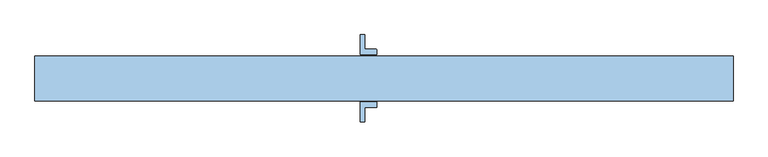
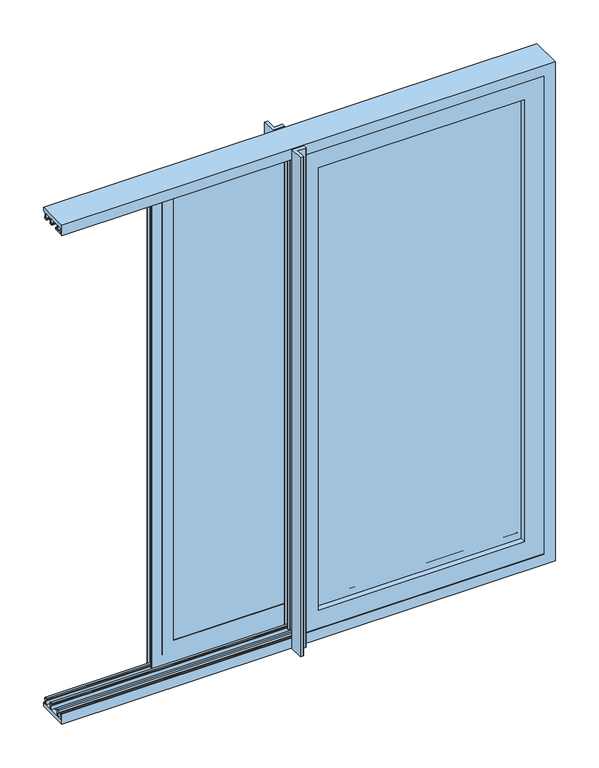
"""IFC4 building model written with IfcOpenShell, lengths in millimetres: window geometry."""

from ifc_helpers import new_model, si_unit, point, frame, frame_2d, origin, origin_with_axes, place, context, project, spatial, polyline, circle_curve, ellipse_curve, trimmed, segment, composite_curve, outline, extrude, faceted_brep, source, transform, mapped, element, save
from ifc_brep_helpers import plane_surface, cylinder_surface, revolved_surface, advanced_brep


def window_c02eff62(model_context):
    return source(origin(), model_context, "Body", "SolidModel", [
        extrude(outline(polyline([(-451.0, 4.5), (441.0, 4.5), (441.0, 3.5), (-451.0, 3.5), (-451.0, 4.5)])), frame((0.0, 0.0, 109.0), z_axis=(0.0, 0.0, 1.0), x_axis=(1.0, 0.0, 0.0)), (0.0, 0.0, 1.0), 1982.0),
        extrude(outline(polyline([(-984.5, 63.0), (-125.5, 63.0), (-125.5, 38.0), (-984.5, 38.0), (-984.5, 63.0)])), frame((0.0, 0.0, 125.5), z_axis=(0.0, 0.0, 1.0), x_axis=(1.0, 0.0, 0.0)), (0.0, 0.0, 1.0), 1949.0),
        extrude(outline(polyline([(424.5, -37.5), (-434.5, -37.5), (-434.5, -31.5), (424.5, -31.5), (424.5, -37.5)])), frame((0.0, 0.0, 125.5), z_axis=(0.0, 0.0, 1.0), x_axis=(1.0, 0.0, 0.0)), (0.0, 0.0, 1.0), 1949.0),
        extrude(outline(polyline([(424.5, -25.5), (-434.5, -25.5), (-434.5, -19.5), (424.5, -19.5), (424.5, -25.5)])), frame((0.0, 0.0, 125.5), z_axis=(0.0, 0.0, 1.0), x_axis=(1.0, 0.0, 0.0)), (0.0, 0.0, 1.0), 1949.0),
        faceted_brep([(-1066.0, 64.5, 2156.0), (-1066.0, 62.5, 2156.0), (-1066.0, 62.5, 44.0), (-1066.0, 64.5, 44.0), (-1076.0, 62.5, 34.0), (-34.0, 62.5, 34.0), (-34.0, 62.5, 2166.0), (-1076.0, 62.5, 2166.0), (-44.0, 62.5, 2156.0), (-44.0, 62.5, 44.0), (-44.0, 64.5, 44.0), (-44.0, 64.5, 2156.0), (-1032.0, 64.5, 2122.0), (-78.0, 64.5, 2122.0), (-78.0, 64.5, 78.0), (-1032.0, 64.5, 78.0), (-1032.0, 36.5, 2122.0), (-1032.0, 36.5, 78.0), (-78.0, 36.5, 78.0), (-1066.0, 36.5, 2156.0), (-44.0, 36.5, 2156.0), (-44.0, 36.5, 44.0), (-1066.0, 36.5, 44.0), (-78.0, 36.5, 2122.0), (-1066.0, 38.5, 2156.0), (-1066.0, 38.5, 44.0), (-44.0, 38.5, 44.0), (-1076.0, 38.5, 2166.0), (-34.0, 38.5, 2166.0), (-34.0, 38.5, 34.0), (-1076.0, 38.5, 34.0), (-44.0, 38.5, 2156.0), (-1076.0, 34.5, 2166.0), (-1076.0, 34.5, 34.0), (-34.0, 34.5, 34.0), (-34.0, 34.5, 2166.0), (-984.5, 34.5, 2074.5), (-125.5, 34.5, 2074.5), (-125.5, 34.5, 125.5), (-984.5, 34.5, 125.5), (-984.5, 66.5, 2074.5), (-984.5, 66.5, 125.5), (-125.5, 66.5, 125.5), (-1076.0, 66.5, 2166.0), (-34.0, 66.5, 2166.0), (-34.0, 66.5, 34.0), (-1076.0, 66.5, 34.0), (-125.5, 66.5, 2074.5)], [[[0, 1, 2, 3]], [[4, 5, 6, 7], [1, 8, 9, 2]], [[3, 2, 9, 10]], [[3, 10, 11, 0], [12, 13, 14, 15]], [[16, 12, 15, 17]], [[17, 15, 14, 18]], [[19, 20, 21, 22], [17, 18, 23, 16]], [[24, 19, 22, 25]], [[25, 22, 21, 26]], [[27, 28, 29, 30], [25, 26, 31, 24]], [[32, 27, 30, 33]], [[33, 30, 29, 34]], [[33, 34, 35, 32], [36, 37, 38, 39]], [[40, 36, 39, 41]], [[41, 39, 38, 42]], [[43, 44, 45, 46], [41, 42, 47, 40]], [[7, 43, 46, 4]], [[4, 46, 45, 5]], [[10, 9, 8, 11]], [[18, 14, 13, 23]], [[26, 21, 20, 31]], [[34, 29, 28, 35]], [[42, 38, 37, 47]], [[5, 45, 44, 6]], [[11, 8, 1, 0]], [[23, 13, 12, 16]], [[31, 20, 19, 24]], [[35, 28, 27, 32]], [[47, 37, 36, 40]], [[6, 44, 43, 7]]]),
        extrude(outline(composite_curve([segment(polyline([(-550.0, -70.0), (-500.0, -70.0), (-500.0, -84.5857864)]), True, "CONTINUOUS"), segment(trimmed(circle_curve(frame_2d((-501.4142136, -84.5857864)), 1.4142136), [point((-500.0, -84.5857864))], [point((-501.4142136, -86.0))], False, "CARTESIAN"), True, "CONTINUOUS"), segment(polyline([(-501.4142136, -86.0), (-536.0, -86.0), (-536.0, -127.5857864)]), True, "CONTINUOUS"), segment(trimmed(circle_curve(frame_2d((-537.4142136, -127.5857864)), 1.4142136), [point((-536.0, -127.5857864))], [point((-537.4142136, -129.0))], False, "CARTESIAN"), True, "CONTINUOUS"), segment(polyline([(-537.4142136, -129.0), (-550.0, -129.0), (-550.0, -70.0)]), True, "CONTINUOUS")], self_intersect=False)), origin_with_axes(), (0.0, 0.0, 1.0), 2200.0),
        extrude(outline(composite_curve([segment(polyline([(-500.0, 70.0), (-550.0, 70.0), (-550.0, 129.0), (-537.4142136, 129.0)]), True, "CONTINUOUS"), segment(trimmed(circle_curve(frame_2d((-537.4142136, 127.5857864)), 1.4142136), [point((-537.4142136, 129.0))], [point((-536.0, 127.5857864))], False, "CARTESIAN"), True, "CONTINUOUS"), segment(polyline([(-536.0, 127.5857864), (-536.0, 86.0), (-501.4142136, 86.0)]), True, "CONTINUOUS"), segment(trimmed(circle_curve(frame_2d((-501.4142136, 84.5857864)), 1.4142136), [point((-501.4142136, 86.0))], [point((-500.0, 84.5857864))], False, "CARTESIAN"), True, "CONTINUOUS"), segment(polyline([(-500.0, 84.5857864), (-500.0, 70.0)]), True, "CONTINUOUS")], self_intersect=False)), origin_with_axes(), (0.0, 0.0, 1.0), 2200.0),
        advanced_brep(
        [(470.0, 18.5, 2120.0), (470.0, 26.5, 2120.0), (470.0, 26.5, 80.0), (470.0, 18.5, 80.0), (516.0, 26.5, 34.0), (-526.0, 26.5, 34.0), (-526.0, 26.5, 2166.0), (516.0, 26.5, 2166.0), (-480.0, 26.5, 2120.0), (-480.0, 26.5, 80.0), (-480.0, 18.5, 80.0), (-480.0, 18.5, 2120.0), (443.0, 18.5, 2093.0), (-453.0, 18.5, 2093.0), (-453.0, 18.5, 107.0), (443.0, 18.5, 107.0), (443.0, 21.5, 2093.0), (443.0, 21.5, 107.0), (-453.0, 21.5, 107.0), (446.0, 24.5, 2096.0), (446.0, 24.5, 104.0), (-456.0, 24.5, 104.0), (446.0, 26.5, 2096.0), (446.0, 26.5, 104.0), (-456.0, 26.5, 104.0), (441.0, 21.5, 2091.0), (441.0, 21.5, 109.0), (-451.0, 21.5, 109.0), (441.0, 2.5, 2091.0), (441.0, 2.5, 109.0), (-451.0, 2.5, 109.0), (444.0, 2.5, 2094.0), (-454.0, 2.5, 2094.0), (-454.0, 2.5, 106.0), (444.0, 2.5, 106.0), (-451.0, 2.5, 2091.0), (444.0, 4.5, 2094.0), (444.0, 4.5, 106.0), (-454.0, 4.5, 106.0), (-454.0, 4.5, 2094.0), (443.0, 4.5, 2093.0), (-453.0, 4.5, 2093.0), (-453.0, 4.5, 107.0), (443.0, 4.5, 107.0), (443.0, 8.5, 2093.0), (443.0, 8.5, 107.0), (-453.0, 8.5, 107.0), (448.0, 8.5, 2098.0), (-458.0, 8.5, 2098.0), (-458.0, 8.5, 102.0), (448.0, 8.5, 102.0), (-453.0, 8.5, 2093.0), (448.0, 0.5, 2098.0), (448.0, 0.5, 102.0), (-458.0, 0.5, 102.0), (451.0, 0.5, 2101.0), (-461.0, 0.5, 2101.0), (-461.0, 0.5, 99.0), (451.0, 0.5, 99.0), (-458.0, 0.5, 2098.0), (451.0, 2.5, 2101.0), (451.0, 2.5, 99.0), (-461.0, 2.5, 99.0), (-461.0, 2.5, 2101.0), (450.0, 2.5, 2100.0), (-460.0, 2.5, 2100.0), (-460.0, 2.5, 100.0), (450.0, 2.5, 100.0), (450.0, 8.5, 2100.0), (450.0, 8.5, 100.0), (-460.0, 8.5, 100.0), (470.0, 8.5, 2120.0), (-480.0, 8.5, 2120.0), (-480.0, 8.5, 80.0), (470.0, 8.5, 80.0), (-460.0, 8.5, 2100.0), (470.0, 0.5, 2120.0), (470.0, 0.5, 80.0), (-480.0, 0.5, 80.0), (516.0, 0.5, 2166.0), (-526.0, 0.5, 2166.0), (-526.0, 0.5, 34.0), (516.0, 0.5, 34.0), (-480.0, 0.5, 2120.0), (516.0, 4.5, 2166.0), (516.0, 4.5, 34.0), (-526.0, 4.5, 34.0), (-526.0, 4.5, 2166.0), (506.0, 4.5, 2156.0), (-516.0, 4.5, 2156.0), (-516.0, 4.5, 44.0), (506.0, 4.5, 44.0), (506.0, 2.5, 2156.0), (506.0, 2.5, 44.0), (-516.0, 2.5, 44.0), (-516.0, 2.5, 2156.0), (472.0, 2.5, 2122.0), (-482.0, 2.5, 2122.0), (-482.0, 2.5, 78.0), (472.0, 2.5, 78.0), (472.0, 24.5, 2122.0), (472.0, 24.5, 78.0), (-482.0, 24.5, 78.0), (506.0, 24.5, 2156.0), (-516.0, 24.5, 2156.0), (-516.0, 24.5, 44.0), (506.0, 24.5, 44.0), (-482.0, 24.5, 2122.0), (506.0, 22.5, 2156.0), (506.0, 22.5, 44.0), (-516.0, 22.5, 44.0), (516.0, 22.5, 2166.0), (-526.0, 22.5, 2166.0), (-526.0, 22.5, 34.0), (516.0, 22.5, 34.0), (-516.0, 22.5, 2156.0), (-453.0, 21.5, 2093.0), (-456.0, 24.5, 2096.0), (-456.0, 26.5, 2096.0), (-451.0, 21.5, 2091.0)],
        [
            (0, 1),
            (1, 2),
            (2, 3),
            (3, 0),
            (4, 5),
            (5, 6),
            (6, 7),
            (7, 4),
            (1, 8),
            (8, 9),
            (9, 2),
            (9, 10),
            (10, 3),
            (10, 11),
            (11, 0),
            (12, 13),
            (13, 14),
            (14, 15),
            (15, 12),
            (16, 12),
            (15, 17),
            (17, 16),
            (14, 18),
            (18, 17),
            (19, 16, ellipse_curve(frame((446.0, 21.5, 2096.0), z_axis=(-0.7071067811865475, 0.0, 0.7071067811865475), x_axis=(-0.7071067811865474, 0.0, -0.7071067811865476)), 4.2426407, 3.0)),
            (17, 20, ellipse_curve(frame((446.0, 21.5, 104.0), z_axis=(-0.7071067811865475, 0.0, -0.7071067811865475), x_axis=(0.7071067811865474, 0.0, -0.7071067811865476)), 4.2426407, 3.0)),
            (20, 19),
            (18, 21, ellipse_curve(frame((-456.0, 21.5, 104.0), z_axis=(-0.7071067811865475, 0.0, 0.7071067811865475), x_axis=(-0.7071067811865476, 0.0, -0.7071067811865474)), 4.2426407, 3.0)),
            (21, 20),
            (22, 19),
            (20, 23),
            (23, 22),
            (21, 24),
            (24, 23),
            (25, 22, ellipse_curve(frame((446.0, 21.5, 2096.0), z_axis=(0.7071067811865475, 0.0, -0.7071067811865475), x_axis=(0.7071067811865474, 0.0, 0.7071067811865476)), 7.0710678, 5.0)),
            (23, 26, ellipse_curve(frame((446.0, 21.5, 104.0), z_axis=(0.7071067811865475, 0.0, 0.7071067811865475), x_axis=(-0.7071067811865474, 0.0, 0.7071067811865476)), 7.0710678, 5.0)),
            (26, 25),
            (24, 27, ellipse_curve(frame((-456.0, 21.5, 104.0), z_axis=(0.7071067811865475, 0.0, -0.7071067811865475), x_axis=(0.7071067811865476, 0.0, 0.7071067811865474)), 7.0710678, 5.0)),
            (27, 26),
            (28, 25),
            (26, 29),
            (29, 28),
            (27, 30),
            (30, 29),
            (31, 32),
            (32, 33),
            (33, 34),
            (34, 31),
            (30, 35),
            (35, 28),
            (36, 31),
            (34, 37),
            (37, 36),
            (33, 38),
            (38, 37),
            (38, 39),
            (39, 36),
            (40, 41),
            (41, 42),
            (42, 43),
            (43, 40),
            (44, 40),
            (43, 45),
            (45, 44),
            (42, 46),
            (46, 45),
            (47, 48),
            (48, 49),
            (49, 50),
            (50, 47),
            (46, 51),
            (51, 44),
            (52, 47),
            (50, 53),
            (53, 52),
            (49, 54),
            (54, 53),
            (55, 56),
            (56, 57),
            (57, 58),
            (58, 55),
            (54, 59),
            (59, 52),
            (60, 55),
            (58, 61),
            (61, 60),
            (57, 62),
            (62, 61),
            (62, 63),
            (63, 60),
            (64, 65),
            (65, 66),
            (66, 67),
            (67, 64),
            (68, 64),
            (67, 69),
            (69, 68),
            (66, 70),
            (70, 69),
            (71, 72),
            (72, 73),
            (73, 74),
            (74, 71),
            (70, 75),
            (75, 68),
            (76, 71),
            (74, 77),
            (77, 76),
            (73, 78),
            (78, 77),
            (79, 80),
            (80, 81),
            (81, 82),
            (82, 79),
            (78, 83),
            (83, 76),
            (84, 79),
            (82, 85),
            (85, 84),
            (81, 86),
            (86, 85),
            (86, 87),
            (87, 84),
            (88, 89),
            (89, 90),
            (90, 91),
            (91, 88),
            (92, 88),
            (91, 93),
            (93, 92),
            (90, 94),
            (94, 93),
            (94, 95),
            (95, 92),
            (96, 97),
            (97, 98),
            (98, 99),
            (99, 96),
            (100, 96),
            (99, 101),
            (101, 100),
            (98, 102),
            (102, 101),
            (103, 104),
            (104, 105),
            (105, 106),
            (106, 103),
            (102, 107),
            (107, 100),
            (108, 103),
            (106, 109),
            (109, 108),
            (105, 110),
            (110, 109),
            (111, 112),
            (112, 113),
            (113, 114),
            (114, 111),
            (110, 115),
            (115, 108),
            (7, 111),
            (114, 4),
            (113, 5),
            (8, 11),
            (13, 116),
            (116, 18),
            (116, 117, ellipse_curve(frame((-456.0, 21.5, 2096.0), z_axis=(0.7071067811865475, 0.0, 0.7071067811865475), x_axis=(-0.7071067811865474, 0.0, 0.7071067811865476)), 4.2426407, 3.0)),
            (117, 21),
            (117, 118),
            (118, 24),
            (118, 119, ellipse_curve(frame((-456.0, 21.5, 2096.0), z_axis=(-0.7071067811865475, 0.0, -0.7071067811865475), x_axis=(0.7071067811865474, 0.0, -0.7071067811865476)), 7.0710678, 5.0)),
            (119, 27),
            (119, 35),
            (32, 39),
            (41, 51),
            (48, 59),
            (56, 63),
            (65, 75),
            (72, 83),
            (80, 87),
            (89, 95),
            (97, 107),
            (104, 115),
            (112, 6),
            (16, 116),
            (19, 117),
            (22, 118),
            (25, 119),
        ],
        [
            plane_surface(frame((470.0, 26.5, 2120.0), z_axis=(-1.0, 0.0, 0.0), x_axis=(0.0, 0.0, -1.0))),
            plane_surface(frame((-526.0, 26.5, 2166.0), z_axis=(0.0, 1.0, 0.0), x_axis=(1.0, 0.0, 0.0))),
            plane_surface(frame((470.0, 26.5, 80.0), z_axis=(0.0, 0.0, 1.0), x_axis=(-1.0, 0.0, 0.0))),
            plane_surface(frame((-480.0, 18.5, 2120.0), z_axis=(0.0, 1.0, 0.0), x_axis=(1.0, 0.0, 0.0))),
            plane_surface(frame((443.0, 18.5, 2093.0), z_axis=(1.0, 0.0, 0.0), x_axis=(0.0, 0.0, -1.0))),
            plane_surface(frame((443.0, 18.5, 107.0), z_axis=(0.0, 0.0, -1.0), x_axis=(-1.0, 0.0, 0.0))),
            revolved_surface(polyline([(449.0, 21.5, 100.99999999089187), (449.0, 21.5, 2099.000000009108)]), (446.0, 21.5, 2200.0), (0.0, 0.0, -1.0)),
            revolved_surface(polyline([(-459.000000009108, 21.5, 101.0), (449.000000009108, 21.5, 101.0)]), (550.0, 21.5, 104.0), (-1.0, 0.0, 0.0)),
            plane_surface(frame((446.0, 24.5, 2096.0), z_axis=(1.0, 0.0, 0.0), x_axis=(0.0, 0.0, -1.0))),
            plane_surface(frame((446.0, 24.5, 104.0), z_axis=(0.0, 0.0, -1.0), x_axis=(-1.0, 0.0, 0.0))),
            cylinder_surface(frame((446.0, 21.5, 2200.0), z_axis=(0.0, 0.0, 1.0), x_axis=(1.0, 0.0, 0.0)), 5.0),
            cylinder_surface(frame((550.0, 21.5, 104.0), z_axis=(1.0, 0.0, 0.0), x_axis=(0.0, 0.0, -1.0)), 5.0),
            plane_surface(frame((441.0, 21.5, 2091.0), z_axis=(-1.0, 0.0, 0.0), x_axis=(0.0, 0.0, -1.0))),
            plane_surface(frame((441.0, 21.5, 109.0), z_axis=(0.0, 0.0, 1.0), x_axis=(-1.0, 0.0, 0.0))),
            plane_surface(frame((-451.0, 2.5, 2091.0), z_axis=(0.0, -1.0, 0.0), x_axis=(1.0, 0.0, 0.0))),
            plane_surface(frame((444.0, 2.5, 2094.0), z_axis=(1.0, 0.0, 0.0), x_axis=(0.0, 0.0, -1.0))),
            plane_surface(frame((444.0, 2.5, 106.0), z_axis=(0.0, 0.0, -1.0), x_axis=(-1.0, 0.0, 0.0))),
            plane_surface(frame((-454.0, 4.5, 2094.0), z_axis=(0.0, 1.0, 0.0), x_axis=(1.0, 0.0, 0.0))),
            plane_surface(frame((443.0, 4.5, 2093.0), z_axis=(1.0, 0.0, 0.0), x_axis=(0.0, 0.0, -1.0))),
            plane_surface(frame((443.0, 4.5, 107.0), z_axis=(0.0, 0.0, -1.0), x_axis=(-1.0, 0.0, 0.0))),
            plane_surface(frame((-453.0, 8.5, 2093.0), z_axis=(0.0, -1.0, 0.0), x_axis=(1.0, 0.0, 0.0))),
            plane_surface(frame((448.0, 8.5, 2098.0), z_axis=(-1.0, 0.0, 0.0), x_axis=(0.0, 0.0, -1.0))),
            plane_surface(frame((448.0, 8.5, 102.0), z_axis=(0.0, 0.0, 1.0), x_axis=(-1.0, 0.0, 0.0))),
            plane_surface(frame((-458.0, 0.5, 2098.0), z_axis=(0.0, -1.0, 0.0), x_axis=(1.0, 0.0, 0.0))),
            plane_surface(frame((451.0, 0.5, 2101.0), z_axis=(1.0, 0.0, 0.0), x_axis=(0.0, 0.0, -1.0))),
            plane_surface(frame((451.0, 0.5, 99.0), z_axis=(0.0, 0.0, -1.0), x_axis=(-1.0, 0.0, 0.0))),
            plane_surface(frame((-461.0, 2.5, 2101.0), z_axis=(0.0, 1.0, 0.0), x_axis=(1.0, 0.0, 0.0))),
            plane_surface(frame((450.0, 2.5, 2100.0), z_axis=(1.0, 0.0, 0.0), x_axis=(0.0, 0.0, -1.0))),
            plane_surface(frame((450.0, 2.5, 100.0), z_axis=(0.0, 0.0, -1.0), x_axis=(-1.0, 0.0, 0.0))),
            plane_surface(frame((-460.0, 8.5, 2100.0), z_axis=(0.0, -1.0, 0.0), x_axis=(1.0, 0.0, 0.0))),
            plane_surface(frame((470.0, 8.5, 2120.0), z_axis=(-1.0, 0.0, 0.0), x_axis=(0.0, 0.0, -1.0))),
            plane_surface(frame((470.0, 8.5, 80.0), z_axis=(0.0, 0.0, 1.0), x_axis=(-1.0, 0.0, 0.0))),
            plane_surface(frame((-480.0, 0.5, 2120.0), z_axis=(0.0, -1.0, 0.0), x_axis=(1.0, 0.0, 0.0))),
            plane_surface(frame((516.0, 0.5, 2166.0), z_axis=(1.0, 0.0, 0.0), x_axis=(0.0, 0.0, -1.0))),
            plane_surface(frame((516.0, 0.5, 34.0), z_axis=(0.0, 0.0, -1.0), x_axis=(-1.0, 0.0, 0.0))),
            plane_surface(frame((-526.0, 4.5, 2166.0), z_axis=(0.0, 1.0, 0.0), x_axis=(1.0, 0.0, 0.0))),
            plane_surface(frame((506.0, 4.5, 2156.0), z_axis=(-1.0, 0.0, 0.0), x_axis=(0.0, 0.0, -1.0))),
            plane_surface(frame((506.0, 4.5, 44.0), z_axis=(0.0, 0.0, 1.0), x_axis=(-1.0, 0.0, 0.0))),
            plane_surface(frame((-516.0, 2.5, 2156.0), z_axis=(0.0, 1.0, 0.0), x_axis=(1.0, 0.0, 0.0))),
            plane_surface(frame((472.0, 2.5, 2122.0), z_axis=(1.0, 0.0, 0.0), x_axis=(0.0, 0.0, -1.0))),
            plane_surface(frame((472.0, 2.5, 78.0), z_axis=(0.0, 0.0, -1.0), x_axis=(-1.0, 0.0, 0.0))),
            plane_surface(frame((-482.0, 24.5, 2122.0), z_axis=(0.0, -1.0, 0.0), x_axis=(1.0, 0.0, 0.0))),
            plane_surface(frame((506.0, 24.5, 2156.0), z_axis=(-1.0, 0.0, 0.0), x_axis=(0.0, 0.0, -1.0))),
            plane_surface(frame((506.0, 24.5, 44.0), z_axis=(0.0, 0.0, 1.0), x_axis=(-1.0, 0.0, 0.0))),
            plane_surface(frame((-516.0, 22.5, 2156.0), z_axis=(0.0, -1.0, 0.0), x_axis=(1.0, 0.0, 0.0))),
            plane_surface(frame((516.0, 22.5, 2166.0), z_axis=(1.0, 0.0, 0.0), x_axis=(0.0, 0.0, -1.0))),
            plane_surface(frame((516.0, 22.5, 34.0), z_axis=(0.0, 0.0, -1.0), x_axis=(-1.0, 0.0, 0.0))),
            plane_surface(frame((-480.0, 26.5, 80.0), z_axis=(1.0, 0.0, 0.0), x_axis=(0.0, 0.0, 1.0))),
            plane_surface(frame((-453.0, 18.5, 107.0), z_axis=(-1.0, 0.0, 0.0), x_axis=(0.0, 0.0, 1.0))),
            revolved_surface(polyline([(-459.0, 21.5, 2099.000000009108), (-459.0, 21.5, 100.99999999089196)]), (-456.0, 21.5, 0.0), (0.0, 0.0, 1.0)),
            plane_surface(frame((-456.0, 24.5, 104.0), z_axis=(-1.0, 0.0, 0.0), x_axis=(0.0, 0.0, 1.0))),
            cylinder_surface(frame((-456.0, 21.5, 0.0), z_axis=(0.0, 0.0, -1.0), x_axis=(-1.0, 0.0, 0.0)), 5.0),
            plane_surface(frame((-451.0, 21.5, 109.0), z_axis=(1.0, 0.0, 0.0), x_axis=(0.0, 0.0, 1.0))),
            plane_surface(frame((-454.0, 2.5, 106.0), z_axis=(-1.0, 0.0, 0.0), x_axis=(0.0, 0.0, 1.0))),
            plane_surface(frame((-453.0, 4.5, 107.0), z_axis=(-1.0, 0.0, 0.0), x_axis=(0.0, 0.0, 1.0))),
            plane_surface(frame((-458.0, 8.5, 102.0), z_axis=(1.0, 0.0, 0.0), x_axis=(0.0, 0.0, 1.0))),
            plane_surface(frame((-461.0, 0.5, 99.0), z_axis=(-1.0, 0.0, 0.0), x_axis=(0.0, 0.0, 1.0))),
            plane_surface(frame((-460.0, 2.5, 100.0), z_axis=(-1.0, 0.0, 0.0), x_axis=(0.0, 0.0, 1.0))),
            plane_surface(frame((-480.0, 8.5, 80.0), z_axis=(1.0, 0.0, 0.0), x_axis=(0.0, 0.0, 1.0))),
            plane_surface(frame((-526.0, 0.5, 34.0), z_axis=(-1.0, 0.0, 0.0), x_axis=(0.0, 0.0, 1.0))),
            plane_surface(frame((-516.0, 4.5, 44.0), z_axis=(1.0, 0.0, 0.0), x_axis=(0.0, 0.0, 1.0))),
            plane_surface(frame((-482.0, 2.5, 78.0), z_axis=(-1.0, 0.0, 0.0), x_axis=(0.0, 0.0, 1.0))),
            plane_surface(frame((-516.0, 24.5, 44.0), z_axis=(1.0, 0.0, 0.0), x_axis=(0.0, 0.0, 1.0))),
            plane_surface(frame((-526.0, 22.5, 34.0), z_axis=(-1.0, 0.0, 0.0), x_axis=(0.0, 0.0, 1.0))),
            plane_surface(frame((-480.0, 26.5, 2120.0), z_axis=(0.0, 0.0, -1.0), x_axis=(1.0, 0.0, 0.0))),
            plane_surface(frame((-453.0, 18.5, 2093.0), z_axis=(0.0, 0.0, 1.0), x_axis=(1.0, 0.0, 0.0))),
            revolved_surface(polyline([(449.000000009108, 21.5, 2099.0), (-459.000000009108, 21.5, 2099.0)]), (-560.0, 21.5, 2096.0), (1.0, 0.0, 0.0)),
            plane_surface(frame((-456.0, 24.5, 2096.0), z_axis=(0.0, 0.0, 1.0), x_axis=(1.0, 0.0, 0.0))),
            cylinder_surface(frame((-560.0, 21.5, 2096.0), z_axis=(-1.0, 0.0, 0.0), x_axis=(0.0, 0.0, 1.0)), 5.0),
            plane_surface(frame((-451.0, 21.5, 2091.0), z_axis=(0.0, 0.0, -1.0), x_axis=(1.0, 0.0, 0.0))),
            plane_surface(frame((-454.0, 2.5, 2094.0), z_axis=(0.0, 0.0, 1.0), x_axis=(1.0, 0.0, 0.0))),
            plane_surface(frame((-453.0, 4.5, 2093.0), z_axis=(0.0, 0.0, 1.0), x_axis=(1.0, 0.0, 0.0))),
            plane_surface(frame((-458.0, 8.5, 2098.0), z_axis=(0.0, 0.0, -1.0), x_axis=(1.0, 0.0, 0.0))),
            plane_surface(frame((-461.0, 0.5, 2101.0), z_axis=(0.0, 0.0, 1.0), x_axis=(1.0, 0.0, 0.0))),
            plane_surface(frame((-460.0, 2.5, 2100.0), z_axis=(0.0, 0.0, 1.0), x_axis=(1.0, 0.0, 0.0))),
            plane_surface(frame((-480.0, 8.5, 2120.0), z_axis=(0.0, 0.0, -1.0), x_axis=(1.0, 0.0, 0.0))),
            plane_surface(frame((-526.0, 0.5, 2166.0), z_axis=(0.0, 0.0, 1.0), x_axis=(1.0, 0.0, 0.0))),
            plane_surface(frame((-516.0, 4.5, 2156.0), z_axis=(0.0, 0.0, -1.0), x_axis=(1.0, 0.0, 0.0))),
            plane_surface(frame((-482.0, 2.5, 2122.0), z_axis=(0.0, 0.0, 1.0), x_axis=(1.0, 0.0, 0.0))),
            plane_surface(frame((-516.0, 24.5, 2156.0), z_axis=(0.0, 0.0, -1.0), x_axis=(1.0, 0.0, 0.0))),
            plane_surface(frame((-526.0, 22.5, 2166.0), z_axis=(0.0, 0.0, 1.0), x_axis=(1.0, 0.0, 0.0))),
        ],
        [
            (0, [[1, 2, 3, 4]]),
            (1, [[5, 6, 7, 8], [9, 10, 11, -2]]),
            (2, [[-3, -11, 12, 13]]),
            (3, [[-13, 14, 15, -4], [16, 17, 18, 19]]),
            (4, [[20, -19, 21, 22]]),
            (5, [[-21, -18, 23, 24]]),
            (6, [[25, -22, 26, 27]]),
            (7, [[-26, -24, 28, 29]]),
            (8, [[30, -27, 31, 32]]),
            (9, [[-31, -29, 33, 34]]),
            (10, [[35, -32, 36, 37]]),
            (11, [[-36, -34, 38, 39]]),
            (12, [[40, -37, 41, 42]]),
            (13, [[-41, -39, 43, 44]]),
            (14, [[45, 46, 47, 48], [-44, 49, 50, -42]]),
            (15, [[51, -48, 52, 53]]),
            (16, [[-52, -47, 54, 55]]),
            (17, [[-55, 56, 57, -53], [58, 59, 60, 61]]),
            (18, [[62, -61, 63, 64]]),
            (19, [[-63, -60, 65, 66]]),
            (20, [[67, 68, 69, 70], [-66, 71, 72, -64]]),
            (21, [[73, -70, 74, 75]]),
            (22, [[-74, -69, 76, 77]]),
            (23, [[78, 79, 80, 81], [-77, 82, 83, -75]]),
            (24, [[84, -81, 85, 86]]),
            (25, [[-85, -80, 87, 88]]),
            (26, [[-88, 89, 90, -86], [91, 92, 93, 94]]),
            (27, [[95, -94, 96, 97]]),
            (28, [[-96, -93, 98, 99]]),
            (29, [[100, 101, 102, 103], [-99, 104, 105, -97]]),
            (30, [[106, -103, 107, 108]]),
            (31, [[-107, -102, 109, 110]]),
            (32, [[111, 112, 113, 114], [-110, 115, 116, -108]]),
            (33, [[117, -114, 118, 119]]),
            (34, [[-118, -113, 120, 121]]),
            (35, [[-121, 122, 123, -119], [124, 125, 126, 127]]),
            (36, [[128, -127, 129, 130]]),
            (37, [[-129, -126, 131, 132]]),
            (38, [[-132, 133, 134, -130], [135, 136, 137, 138]]),
            (39, [[139, -138, 140, 141]]),
            (40, [[-140, -137, 142, 143]]),
            (41, [[144, 145, 146, 147], [-143, 148, 149, -141]]),
            (42, [[150, -147, 151, 152]]),
            (43, [[-151, -146, 153, 154]]),
            (44, [[155, 156, 157, 158], [-154, 159, 160, -152]]),
            (45, [[161, -158, 162, -8]]),
            (46, [[-162, -157, 163, -5]]),
            (47, [[-12, -10, 164, -14]]),
            (48, [[-23, -17, 165, 166]]),
            (49, [[-28, -166, 167, 168]]),
            (50, [[-33, -168, 169, 170]]),
            (51, [[-38, -170, 171, 172]]),
            (52, [[-43, -172, 173, -49]]),
            (53, [[-54, -46, 174, -56]]),
            (54, [[-65, -59, 175, -71]]),
            (55, [[-76, -68, 176, -82]]),
            (56, [[-87, -79, 177, -89]]),
            (57, [[-98, -92, 178, -104]]),
            (58, [[-109, -101, 179, -115]]),
            (59, [[-120, -112, 180, -122]]),
            (60, [[-131, -125, 181, -133]]),
            (61, [[-142, -136, 182, -148]]),
            (62, [[-153, -145, 183, -159]]),
            (63, [[-163, -156, 184, -6]]),
            (64, [[-164, -9, -1, -15]]),
            (65, [[-165, -16, -20, 185]]),
            (66, [[-167, -185, -25, 186]]),
            (67, [[-169, -186, -30, 187]]),
            (68, [[-171, -187, -35, 188]]),
            (69, [[-173, -188, -40, -50]]),
            (70, [[-174, -45, -51, -57]]),
            (71, [[-175, -58, -62, -72]]),
            (72, [[-176, -67, -73, -83]]),
            (73, [[-177, -78, -84, -90]]),
            (74, [[-178, -91, -95, -105]]),
            (75, [[-179, -100, -106, -116]]),
            (76, [[-180, -111, -117, -123]]),
            (77, [[-181, -124, -128, -134]]),
            (78, [[-182, -135, -139, -149]]),
            (79, [[-183, -144, -150, -160]]),
            (80, [[-184, -155, -161, -7]]),
        ],
    ),
        faceted_brep([(516.0, -56.5, 2166.0), (516.0, -61.5, 2166.0), (516.0, -61.5, 34.0), (516.0, -56.5, 34.0), (-526.0, -61.5, 2166.0), (-526.0, -61.5, 34.0), (424.5, -61.5, 125.5), (-434.5, -61.5, 125.5), (-434.5, -61.5, 2074.5), (424.5, -61.5, 2074.5), (-526.0, -56.5, 34.0), (-526.0, -56.5, 2166.0), (486.3, -56.5, 2136.3), (-496.3, -56.5, 2136.3), (-496.3, -56.5, 63.7), (486.3, -56.5, 63.7), (486.3, -48.5, 2136.3), (486.3, -48.5, 63.7), (-496.3, -48.5, 63.7), (-496.3, -48.5, 2136.3), (470.3, -48.5, 2120.3), (-480.3, -48.5, 2120.3), (-480.3, -48.5, 79.7), (470.3, -48.5, 79.7), (470.3, -24.5, 2120.3), (470.3, -24.5, 79.7), (-480.3, -24.5, 79.7), (486.3, -24.5, 2136.3), (-496.3, -24.5, 2136.3), (-496.3, -24.5, 63.7), (486.3, -24.5, 63.7), (-480.3, -24.5, 2120.3), (486.3, -16.5, 2136.3), (486.3, -16.5, 63.7), (-496.3, -16.5, 63.7), (516.0, -16.5, 2166.0), (-526.0, -16.5, 2166.0), (-526.0, -16.5, 34.0), (516.0, -16.5, 34.0), (-496.3, -16.5, 2136.3), (516.0, -11.5, 2166.0), (516.0, -11.5, 34.0), (-526.0, -11.5, 34.0), (-526.0, -11.5, 2166.0), (424.5, -11.5, 2074.5), (-434.5, -11.5, 2074.5), (-434.5, -11.5, 125.5), (424.5, -11.5, 125.5)], [[[0, 1, 2, 3]], [[1, 4, 5, 2], [6, 7, 8, 9]], [[3, 2, 5, 10]], [[3, 10, 11, 0], [12, 13, 14, 15]], [[16, 12, 15, 17]], [[17, 15, 14, 18]], [[17, 18, 19, 16], [20, 21, 22, 23]], [[24, 20, 23, 25]], [[25, 23, 22, 26]], [[27, 28, 29, 30], [25, 26, 31, 24]], [[32, 27, 30, 33]], [[33, 30, 29, 34]], [[35, 36, 37, 38], [33, 34, 39, 32]], [[40, 35, 38, 41]], [[41, 38, 37, 42]], [[41, 42, 43, 40], [44, 45, 46, 47]], [[9, 44, 47, 6]], [[6, 47, 46, 7]], [[10, 5, 4, 11]], [[18, 14, 13, 19]], [[26, 22, 21, 31]], [[34, 29, 28, 39]], [[42, 37, 36, 43]], [[7, 46, 45, 8]], [[11, 4, 1, 0]], [[19, 13, 12, 16]], [[31, 21, 20, 24]], [[39, 28, 27, 32]], [[43, 36, 35, 40]], [[8, 45, 44, 9]]]),
        faceted_brep([(550.0, 66.5, 2200.0), (550.0, -66.5, 2200.0), (550.0, -66.5, 0.0), (550.0, 66.5, 0.0), (-1508.5, -66.5, 2200.0), (-1508.5, -66.5, 2155.0), (505.0, -66.5, 2155.0), (505.0, -66.5, 45.0), (-1508.5, -66.5, 45.0), (-1508.5, -66.5, 0.0), (-1508.5, 66.5, 0.0), (-1508.5, 66.5, 2183.0), (-1508.5, 66.5, 2200.0), (-1508.5, 66.5, 17.0), (533.0, 66.5, 17.0), (533.0, 66.5, 2183.0), (533.0, 57.5, 2183.0), (533.0, 57.5, 17.0), (-1508.5, 57.5, 17.0), (-1508.5, 57.5, 2182.0), (-1508.5, 57.5, 2183.0), (-1508.5, 57.5, 18.0), (532.0, 57.5, 18.0), (532.0, 57.5, 2182.0), (532.0, 54.5, 2182.0), (532.0, 54.5, 18.0), (-1508.5, 54.5, 18.0), (-1508.5, 54.5, 2163.0), (-1508.5, 54.5, 2182.0), (-1508.5, 54.5, 37.0), (513.0, 54.5, 37.0), (513.0, 54.5, 2163.0), (513.0, 57.0, 2163.0), (513.0, 57.0, 37.0), (-1508.5, 57.0, 37.0), (-1508.5, 57.0, 2157.0), (-1508.5, 57.0, 2163.0), (-1508.5, 57.0, 43.0), (507.0, 57.0, 43.0), (507.0, 57.0, 2157.0), (505.0, 55.0, 2155.0), (505.0, 55.0, 45.0), (-1508.5, 55.0, 45.0), (505.0, 46.0, 2155.0), (505.0, 46.0, 45.0), (-1508.5, 46.0, 45.0), (507.0, 44.0, 2157.0), (507.0, 44.0, 43.0), (-1508.5, 44.0, 43.0), (-1508.5, 44.0, 2163.0), (-1508.5, 44.0, 2157.0), (-1508.5, 44.0, 37.0), (513.0, 44.0, 37.0), (513.0, 44.0, 2163.0), (513.0, 46.5, 2163.0), (513.0, 46.5, 37.0), (-1508.5, 46.5, 37.0), (-1508.5, 46.5, 2182.0), (-1508.5, 46.5, 2163.0), (-1508.5, 46.5, 18.0), (532.0, 46.5, 18.0), (532.0, 46.5, 2182.0), (532.0, 17.5, 2182.0), (532.0, 17.5, 18.0), (-1508.5, 17.5, 18.0), (-1508.5, 17.5, 2163.0), (-1508.5, 17.5, 2182.0), (-1508.5, 17.5, 37.0), (513.0, 17.5, 37.0), (513.0, 17.5, 2163.0), (513.0, 20.0, 2163.0), (513.0, 20.0, 37.0), (-1508.5, 20.0, 37.0), (-1508.5, 20.0, 2157.0), (-1508.5, 20.0, 2163.0), (-1508.5, 20.0, 43.0), (507.0, 20.0, 43.0), (507.0, 20.0, 2157.0), (505.0, 18.0, 2155.0), (505.0, 18.0, 45.0), (-1508.5, 18.0, 45.0), (505.0, 9.0, 2155.0), (505.0, 9.0, 45.0), (-1508.5, 9.0, 45.0), (507.0, 7.0, 2157.0), (507.0, 7.0, 43.0), (-1508.5, 7.0, 43.0), (-1508.5, 7.0, 2163.0), (-1508.5, 7.0, 2157.0), (-1508.5, 7.0, 37.0), (513.0, 7.0, 37.0), (513.0, 7.0, 2163.0), (513.0, 9.5, 2163.0), (513.0, 9.5, 37.0), (-1508.5, 9.5, 37.0), (-1508.5, 9.5, 2182.0), (-1508.5, 9.5, 2163.0), (-1508.5, 9.5, 18.0), (532.0, 9.5, 18.0), (532.0, 9.5, 2182.0), (532.0, -32.5, 2182.0), (532.0, -32.5, 18.0), (-1508.5, -32.5, 18.0), (-1508.5, -32.5, 2163.0), (-1508.5, -32.5, 2182.0), (-1508.5, -32.5, 37.0), (513.0, -32.5, 37.0), (513.0, -32.5, 2163.0), (513.0, -20.5, 2163.0), (513.0, -20.5, 37.0), (-1508.5, -20.5, 37.0), (-1508.5, -20.5, 2157.0), (-1508.5, -20.5, 2163.0), (-1508.5, -20.5, 43.0), (507.0, -20.5, 43.0), (507.0, -20.5, 2157.0), (505.0, -22.5, 2155.0), (505.0, -22.5, 45.0), (-1508.5, -22.5, 45.0), (505.0, -50.5, 2155.0), (505.0, -50.5, 45.0), (-1508.5, -50.5, 45.0), (507.0, -52.5, 2157.0), (507.0, -52.5, 43.0), (-1508.5, -52.5, 43.0), (-1508.5, -52.5, 2163.0), (-1508.5, -52.5, 2157.0), (-1508.5, -52.5, 37.0), (513.0, -52.5, 37.0), (513.0, -52.5, 2163.0), (513.0, -40.5, 2163.0), (513.0, -40.5, 37.0), (-1508.5, -40.5, 37.0), (-1508.5, -40.5, 2182.0), (-1508.5, -40.5, 2163.0), (-1508.5, -40.5, 18.0), (532.0, -40.5, 18.0), (532.0, -40.5, 2182.0), (532.0, -62.5, 2182.0), (532.0, -62.5, 18.0), (-1508.5, -62.5, 18.0), (-1508.5, -62.5, 2155.0), (-1508.5, -62.5, 2182.0), (-1508.5, -62.5, 45.0), (505.0, -62.5, 45.0), (505.0, -62.5, 2155.0), (-1508.5, 55.0, 2155.0), (-1508.5, 46.0, 2155.0), (-1508.5, 18.0, 2155.0), (-1508.5, 9.0, 2155.0), (-1508.5, -22.5, 2155.0), (-1508.5, -50.5, 2155.0)], [[[0, 1, 2, 3]], [[4, 5, 6, 7, 8, 9, 2, 1]], [[3, 2, 9, 10]], [[11, 12, 0, 3, 10, 13, 14, 15]], [[16, 15, 14, 17]], [[17, 14, 13, 18]], [[19, 20, 16, 17, 18, 21, 22, 23]], [[24, 23, 22, 25]], [[25, 22, 21, 26]], [[27, 28, 24, 25, 26, 29, 30, 31]], [[32, 31, 30, 33]], [[33, 30, 29, 34]], [[35, 36, 32, 33, 34, 37, 38, 39]], [[40, 39, 38, 41]], [[41, 38, 37, 42]], [[43, 40, 41, 44]], [[44, 41, 42, 45]], [[46, 43, 44, 47]], [[47, 44, 45, 48]], [[49, 50, 46, 47, 48, 51, 52, 53]], [[54, 53, 52, 55]], [[55, 52, 51, 56]], [[57, 58, 54, 55, 56, 59, 60, 61]], [[62, 61, 60, 63]], [[63, 60, 59, 64]], [[65, 66, 62, 63, 64, 67, 68, 69]], [[70, 69, 68, 71]], [[71, 68, 67, 72]], [[73, 74, 70, 71, 72, 75, 76, 77]], [[78, 77, 76, 79]], [[79, 76, 75, 80]], [[81, 78, 79, 82]], [[82, 79, 80, 83]], [[84, 81, 82, 85]], [[85, 82, 83, 86]], [[87, 88, 84, 85, 86, 89, 90, 91]], [[92, 91, 90, 93]], [[93, 90, 89, 94]], [[95, 96, 92, 93, 94, 97, 98, 99]], [[100, 99, 98, 101]], [[101, 98, 97, 102]], [[103, 104, 100, 101, 102, 105, 106, 107]], [[108, 107, 106, 109]], [[109, 106, 105, 110]], [[111, 112, 108, 109, 110, 113, 114, 115]], [[116, 115, 114, 117]], [[117, 114, 113, 118]], [[119, 116, 117, 120]], [[120, 117, 118, 121]], [[122, 119, 120, 123]], [[123, 120, 121, 124]], [[125, 126, 122, 123, 124, 127, 128, 129]], [[130, 129, 128, 131]], [[131, 128, 127, 132]], [[133, 134, 130, 131, 132, 135, 136, 137]], [[138, 137, 136, 139]], [[139, 136, 135, 140]], [[141, 142, 138, 139, 140, 143, 144, 145]], [[6, 145, 144, 7]], [[7, 144, 143, 8]], [[8, 143, 140, 135, 132, 127, 124, 121, 118, 113, 110, 105, 102, 97, 94, 89, 86, 83, 80, 75, 72, 67, 64, 59, 56, 51, 48, 45, 42, 37, 34, 29, 26, 21, 18, 13, 10, 9]], [[5, 4, 12, 11, 20, 19, 28, 27, 36, 35, 146, 147, 50, 49, 58, 57, 66, 65, 74, 73, 148, 149, 88, 87, 96, 95, 104, 103, 112, 111, 150, 151, 126, 125, 134, 133, 142, 141]], [[12, 4, 1, 0]], [[20, 11, 15, 16]], [[28, 19, 23, 24]], [[36, 27, 31, 32]], [[146, 35, 39, 40]], [[147, 146, 40, 43]], [[50, 147, 43, 46]], [[58, 49, 53, 54]], [[66, 57, 61, 62]], [[74, 65, 69, 70]], [[148, 73, 77, 78]], [[149, 148, 78, 81]], [[88, 149, 81, 84]], [[96, 87, 91, 92]], [[104, 95, 99, 100]], [[112, 103, 107, 108]], [[150, 111, 115, 116]], [[151, 150, 116, 119]], [[126, 151, 119, 122]], [[134, 125, 129, 130]], [[142, 133, 137, 138]], [[5, 141, 145, 6]]]),
        extrude(outline(composite_curve([segment(polyline([(54.5, 45.0), (46.5, 45.0)]), True, "CONTINUOUS"), segment(trimmed(circle_curve(frame_2d((50.5, 45.0)), 4.0), [point((46.5, 45.0))], [point((54.5, 45.0))], False, "CARTESIAN"), True, "CONTINUOUS")], self_intersect=False)), frame((-1508.5, 0.0, 0.0), z_axis=(1.0, 0.0, 0.0), x_axis=(0.0, 1.0, 0.0)), (0.0, 0.0, 1.0), 2024.5),
        extrude(outline(composite_curve([segment(polyline([(17.5, 45.0), (9.5, 45.0)]), True, "CONTINUOUS"), segment(trimmed(circle_curve(frame_2d((13.5, 45.0)), 4.0), [point((9.5, 45.0))], [point((17.5, 45.0))], False, "CARTESIAN"), True, "CONTINUOUS")], self_intersect=False)), frame((-1508.5, 0.0, 0.0), z_axis=(1.0, 0.0, 0.0), x_axis=(0.0, 1.0, 0.0)), (0.0, 0.0, 1.0), 2058.5),
        extrude(outline(composite_curve([segment(polyline([(-32.5, 45.0), (-40.5, 45.0)]), True, "CONTINUOUS"), segment(trimmed(circle_curve(frame_2d((-36.5, 45.0)), 4.0), [point((-40.5, 45.0))], [point((-32.5, 45.0))], False, "CARTESIAN"), True, "CONTINUOUS")], self_intersect=False)), frame((-1508.5, 0.0, 0.0), z_axis=(1.0, 0.0, 0.0), x_axis=(0.0, 1.0, 0.0)), (0.0, 0.0, 1.0), 2058.5),
    ])


if __name__ == "__main__":
    model = new_model("IFC4")
    model_context = context("Model", 3, world=origin())
    ifc_project = project(units=[si_unit("LENGTHUNIT", "METRE", prefix="MILLI")], contexts=[model_context])
    site = spatial("IfcSite", under=ifc_project)
    building = spatial("IfcBuilding", under=site)
    placement = place(None, origin())
    window_shape = window_c02eff62(model_context)
    element("IfcWindow", 1, at=placement, inside=building, context=model_context, shape_type="MappedRepresentation", body=[
        mapped(window_shape, transform((0.0, 0.0, 0.0), x_axis=(1.0, 0.0, 0.0), y_axis=(0.0, 1.0, 0.0), z_axis=(0.0, 0.0, 1.0))),
    ])
    save(model, "model.ifc")
